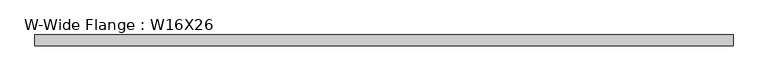
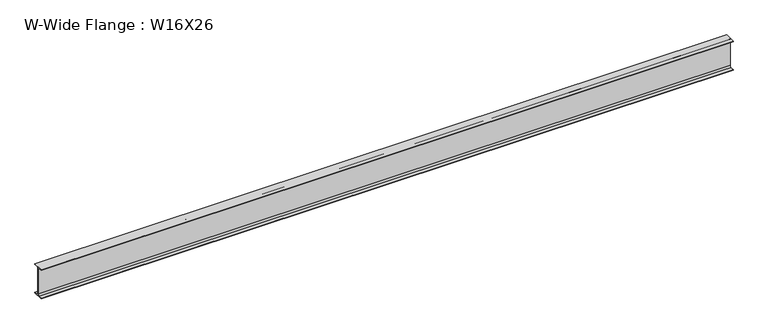
"""IFC4 building model written with IfcOpenShell, lengths in millimetres: beam geometry, W-Wide Flange : W16X26."""

from ifc_helpers import new_model, si_unit, point, frame, frame_2d, origin, place, context, project, spatial, polyline, circle_curve, trimmed, segment, composite_curve, outline, extrude, source, transform, mapped, element, save


def w_wide_flange_w16x26_1ced17f5(model_context):
    return source(origin(), model_context, "Body", "SweptSolid", [
        extrude(outline(composite_curve([segment(polyline([(69.85, -190.5496094), (69.85, -199.2808594), (-69.85, -199.2808594), (-69.85, -190.5496094), (-21.43125, -190.5496094)]), True, "CONTINUOUS"), segment(trimmed(circle_curve(frame_2d((-21.43125, -172.2933594)), 18.25625), [point((-21.43125, -190.5496094))], [point((-3.175, -172.2933594))], True, "CARTESIAN"), True, "CONTINUOUS"), segment(polyline([(-3.175, -172.2933594), (-3.175, 172.2933594)]), True, "CONTINUOUS"), segment(trimmed(circle_curve(frame_2d((-21.43125, 172.2933594)), 18.25625), [point((-3.175, 172.2933594))], [point((-21.43125, 190.5496094))], True, "CARTESIAN"), True, "CONTINUOUS"), segment(polyline([(-21.43125, 190.5496094), (-69.85, 190.5496094), (-69.85, 199.2808594), (69.85, 199.2808594), (69.85, 190.5496094), (21.43125, 190.5496094)]), True, "CONTINUOUS"), segment(trimmed(circle_curve(frame_2d((21.43125, 172.2933594)), 18.25625), [point((21.43125, 190.5496094))], [point((3.175, 172.2933594))], True, "CARTESIAN"), True, "CONTINUOUS"), segment(polyline([(3.175, 172.2933594), (3.175, -172.2933594)]), True, "CONTINUOUS"), segment(trimmed(circle_curve(frame_2d((21.43125, -172.2933594)), 18.25625), [point((3.175, -172.2933594))], [point((21.43125, -190.5496094))], True, "CARTESIAN"), True, "CONTINUOUS"), segment(polyline([(21.43125, -190.5496094), (69.85, -190.5496094)]), True, "CONTINUOUS")], self_intersect=False)), frame((-4483.1, 0.0, 0.0), z_axis=(1.0, 0.0, 0.0), x_axis=(0.0, 1.0, 0.0)), (0.0, 0.0, 1.0), 8938.2699219),
    ])


if __name__ == "__main__":
    model = new_model("IFC4")
    model_context = context("Model", 3, world=origin())
    ifc_project = project(units=[si_unit("LENGTHUNIT", "METRE", prefix="MILLI")], contexts=[model_context])
    site = spatial("IfcSite", under=ifc_project)
    building = spatial("IfcBuilding", under=site)
    placement = place(None, origin())
    w_wide_flange_w16x26_shape = w_wide_flange_w16x26_1ced17f5(model_context)
    element("IfcBeam", 1, ObjectType="W-Wide Flange : W16X26", at=placement, inside=building, context=model_context, shape_type="MappedRepresentation", body=[
        mapped(w_wide_flange_w16x26_shape, transform((0.0, 0.0, 0.0), x_axis=(1.0, 0.0, 0.0), y_axis=(0.0, 1.0, 0.0), z_axis=(0.0, 0.0, 1.0))),
    ])
    save(model, "model.ifc")
